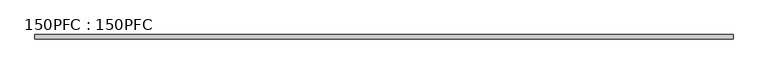
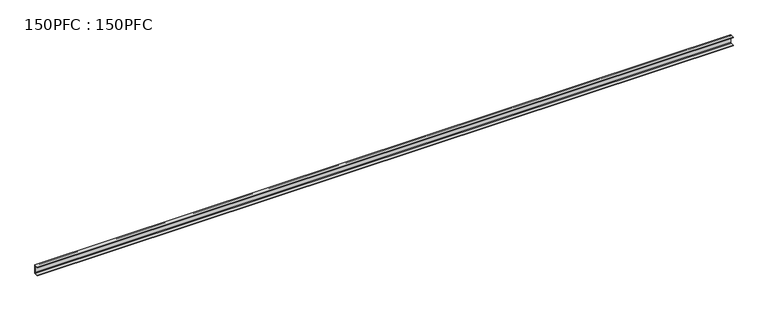
"""IFC4 building model written with IfcOpenShell, lengths in millimetres: beam geometry, 150PFC : 150PFC."""

from ifc_helpers import new_model, si_unit, point, frame, frame_2d, origin, place, context, project, spatial, polyline, circle_curve, trimmed, segment, composite_curve, outline, extrude, source, transform, mapped, element, save


def beam_150pfc_150pfc_1c9cbe3d(model_context):
    return source(origin(), model_context, "Body", "SweptSolid", [
        extrude(outline(composite_curve([segment(polyline([(21.6471313, 65.0), (-37.3528687, 65.0), (-37.3528687, 74.5), (37.6471313, 74.5), (37.6471313, -75.5), (-37.3528687, -75.5), (-37.3528687, -66.0), (21.6471313, -66.0)]), True, "CONTINUOUS"), segment(trimmed(circle_curve(frame_2d((21.6471313, -56.0)), 10.0), [point((21.6471313, -66.0))], [point((31.6471313, -56.0))], True, "CARTESIAN"), True, "CONTINUOUS"), segment(polyline([(31.6471313, -56.0), (31.6471313, 55.0)]), True, "CONTINUOUS"), segment(trimmed(circle_curve(frame_2d((21.6471313, 55.0)), 10.0), [point((31.6471313, 55.0))], [point((21.6471313, 65.0))], True, "CARTESIAN"), True, "CONTINUOUS")], self_intersect=False)), frame((-5912.2264344, 0.0, 0.0), z_axis=(1.0, 0.0, 0.0), x_axis=(0.0, 1.0, 0.0)), (0.0, 0.0, 1.0), 11861.9528687),
    ])


if __name__ == "__main__":
    model = new_model("IFC4")
    model_context = context("Model", 3, world=origin())
    ifc_project = project(units=[si_unit("LENGTHUNIT", "METRE", prefix="MILLI")], contexts=[model_context])
    site = spatial("IfcSite", under=ifc_project)
    building = spatial("IfcBuilding", under=site)
    placement = place(None, origin())
    beam_150pfc_150pfc_shape = beam_150pfc_150pfc_1c9cbe3d(model_context)
    element("IfcBeam", 1, ObjectType="150PFC : 150PFC", at=placement, inside=building, context=model_context, shape_type="MappedRepresentation", body=[
        mapped(beam_150pfc_150pfc_shape, transform((0.0, 0.0, 0.0), x_axis=(1.0, 0.0, 0.0), y_axis=(0.0, 1.0, 0.0), z_axis=(0.0, 0.0, 1.0))),
    ])
    save(model, "model.ifc")
